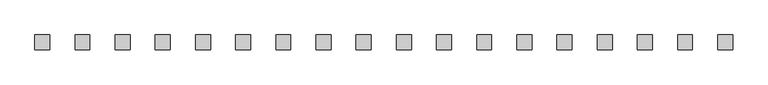
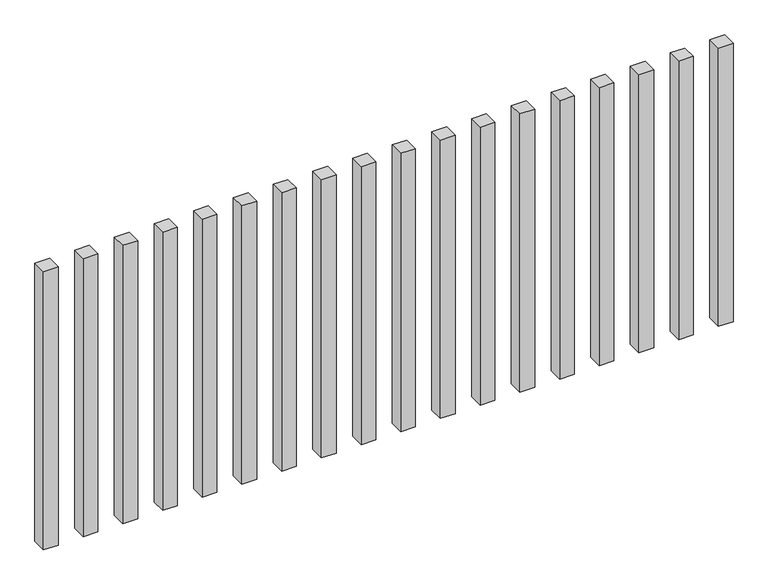
"""IFC4 building model written with IfcOpenShell, lengths in millimetres: railing geometry."""

from ifc_helpers import new_model, si_unit, origin, origin_with_axes, place, context, project, spatial, polyline, outline, extrude, source, transform, mapped, element, save


def railing_b416df23(model_context):
    return source(origin(), model_context, "Body", "SweptSolid", [
        extrude(outline(polyline([(-10707.5700772, -81954.0267127), (-10707.5700772, -81904.0267127), (-10657.5700772, -81904.0267127), (-10657.5700772, -81954.0267127), (-10707.5700772, -81954.0267127)])), origin_with_axes(), (0.0, 0.0, 1.0), 1000.0),
        extrude(outline(polyline([(-10842.5700772, -81954.0267127), (-10842.5700772, -81904.0267127), (-10792.5700772, -81904.0267127), (-10792.5700772, -81954.0267127), (-10842.5700772, -81954.0267127)])), origin_with_axes(), (0.0, 0.0, 1.0), 1000.0),
        extrude(outline(polyline([(-10977.5700772, -81954.0267127), (-10977.5700772, -81904.0267127), (-10927.5700772, -81904.0267127), (-10927.5700772, -81954.0267127), (-10977.5700772, -81954.0267127)])), origin_with_axes(), (0.0, 0.0, 1.0), 1000.0),
        extrude(outline(polyline([(-11112.5700772, -81954.0267127), (-11112.5700772, -81904.0267127), (-11062.5700772, -81904.0267127), (-11062.5700772, -81954.0267127), (-11112.5700772, -81954.0267127)])), origin_with_axes(), (0.0, 0.0, 1.0), 1000.0),
        extrude(outline(polyline([(-11247.5700772, -81954.0267127), (-11247.5700772, -81904.0267127), (-11197.5700772, -81904.0267127), (-11197.5700772, -81954.0267127), (-11247.5700772, -81954.0267127)])), origin_with_axes(), (0.0, 0.0, 1.0), 1000.0),
        extrude(outline(polyline([(-11382.5700772, -81954.0267127), (-11382.5700772, -81904.0267127), (-11332.5700772, -81904.0267127), (-11332.5700772, -81954.0267127), (-11382.5700772, -81954.0267127)])), origin_with_axes(), (0.0, 0.0, 1.0), 1000.0),
        extrude(outline(polyline([(-11517.5700772, -81954.0267127), (-11517.5700772, -81904.0267127), (-11467.5700772, -81904.0267127), (-11467.5700772, -81954.0267127), (-11517.5700772, -81954.0267127)])), origin_with_axes(), (0.0, 0.0, 1.0), 1000.0),
        extrude(outline(polyline([(-11652.5700772, -81954.0267127), (-11652.5700772, -81904.0267127), (-11602.5700772, -81904.0267127), (-11602.5700772, -81954.0267127), (-11652.5700772, -81954.0267127)])), origin_with_axes(), (0.0, 0.0, 1.0), 1000.0),
        extrude(outline(polyline([(-11787.5700772, -81954.0267127), (-11787.5700772, -81904.0267127), (-11737.5700772, -81904.0267127), (-11737.5700772, -81954.0267127), (-11787.5700772, -81954.0267127)])), origin_with_axes(), (0.0, 0.0, 1.0), 1000.0),
        extrude(outline(polyline([(-11922.5700772, -81954.0267127), (-11922.5700772, -81904.0267127), (-11872.5700772, -81904.0267127), (-11872.5700772, -81954.0267127), (-11922.5700772, -81954.0267127)])), origin_with_axes(), (0.0, 0.0, 1.0), 1000.0),
        extrude(outline(polyline([(-12057.5700772, -81954.0267127), (-12057.5700772, -81904.0267127), (-12007.5700772, -81904.0267127), (-12007.5700772, -81954.0267127), (-12057.5700772, -81954.0267127)])), origin_with_axes(), (0.0, 0.0, 1.0), 1000.0),
        extrude(outline(polyline([(-12192.5700772, -81954.0267127), (-12192.5700772, -81904.0267127), (-12142.5700772, -81904.0267127), (-12142.5700772, -81954.0267127), (-12192.5700772, -81954.0267127)])), origin_with_axes(), (0.0, 0.0, 1.0), 1000.0),
        extrude(outline(polyline([(-12327.5700772, -81954.0267127), (-12327.5700772, -81904.0267127), (-12277.5700772, -81904.0267127), (-12277.5700772, -81954.0267127), (-12327.5700772, -81954.0267127)])), origin_with_axes(), (0.0, 0.0, 1.0), 1000.0),
        extrude(outline(polyline([(-12462.5700772, -81954.0267127), (-12462.5700772, -81904.0267127), (-12412.5700772, -81904.0267127), (-12412.5700772, -81954.0267127), (-12462.5700772, -81954.0267127)])), origin_with_axes(), (0.0, 0.0, 1.0), 1000.0),
        extrude(outline(polyline([(-12597.5700772, -81954.0267127), (-12597.5700772, -81904.0267127), (-12547.5700772, -81904.0267127), (-12547.5700772, -81954.0267127), (-12597.5700772, -81954.0267127)])), origin_with_axes(), (0.0, 0.0, 1.0), 1000.0),
        extrude(outline(polyline([(-12732.5700772, -81954.0267127), (-12732.5700772, -81904.0267127), (-12682.5700772, -81904.0267127), (-12682.5700772, -81954.0267127), (-12732.5700772, -81954.0267127)])), origin_with_axes(), (0.0, 0.0, 1.0), 1000.0),
        extrude(outline(polyline([(-12867.5700772, -81954.0267127), (-12867.5700772, -81904.0267127), (-12817.5700772, -81904.0267127), (-12817.5700772, -81954.0267127), (-12867.5700772, -81954.0267127)])), origin_with_axes(), (0.0, 0.0, 1.0), 1000.0),
        extrude(outline(polyline([(-13002.5700772, -81954.0267127), (-13002.5700772, -81904.0267127), (-12952.5700772, -81904.0267127), (-12952.5700772, -81954.0267127), (-13002.5700772, -81954.0267127)])), origin_with_axes(), (0.0, 0.0, 1.0), 1000.0),
    ])


if __name__ == "__main__":
    model = new_model("IFC4")
    model_context = context("Model", 3, world=origin())
    ifc_project = project(units=[si_unit("LENGTHUNIT", "METRE", prefix="MILLI")], contexts=[model_context])
    site = spatial("IfcSite", under=ifc_project)
    building = spatial("IfcBuilding", under=site)
    placement = place(None, origin())
    railing_shape = railing_b416df23(model_context)
    element("IfcRailing", 1, at=placement, inside=building, context=model_context, shape_type="MappedRepresentation", body=[
        mapped(railing_shape, transform((0.0, 0.0, 0.0), x_axis=(1.0, 0.0, 0.0), y_axis=(0.0, 1.0, 0.0), z_axis=(0.0, 0.0, 1.0))),
    ])
    save(model, "model.ifc")
